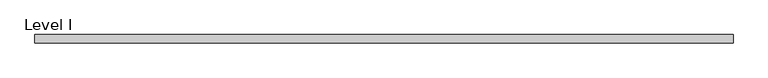
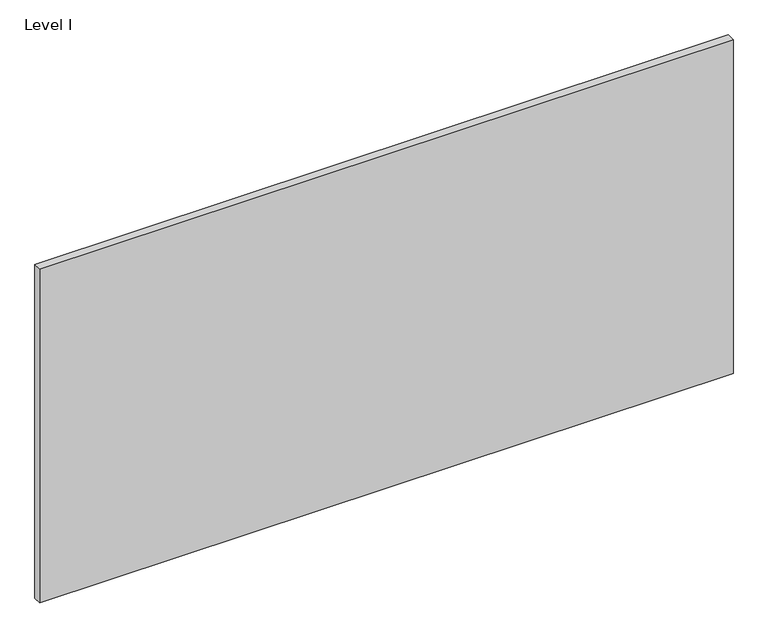
"""IFC4 building model written with IfcOpenShell, lengths in millimetres: proxy geometry, Level I."""

from ifc_helpers import new_model, si_unit, frame, origin, place, context, project, spatial, polyline, outline, extrude, source, transform, mapped, element, save


def level_i_4d32b42f(model_context):
    return source(origin(), model_context, "Body", "SweptSolid", [
        extrude(outline(polyline([(795.6407125, 9.525), (795.6407125, -9.525), (-795.6407125, -9.525), (-795.6407125, 9.525), (795.6407125, 9.525)])), frame((0.0, 0.0, 3.175), z_axis=(0.0, 0.0, 1.0), x_axis=(1.0, 0.0, 0.0)), (0.0, 0.0, 1.0), 810.768),
    ])


if __name__ == "__main__":
    model = new_model("IFC4")
    model_context = context("Model", 3, world=origin())
    ifc_project = project(units=[si_unit("LENGTHUNIT", "METRE", prefix="MILLI")], contexts=[model_context])
    site = spatial("IfcSite", under=ifc_project)
    building = spatial("IfcBuilding", under=site)
    placement = place(None, origin())
    level_i_shape = level_i_4d32b42f(model_context)
    element("IfcBuildingElementProxy", 1, Name="Level I", ObjectType="Level I", at=placement, inside=building, context=model_context, shape_type="MappedRepresentation", body=[
        mapped(level_i_shape, transform((0.0, 0.0, 0.0), x_axis=(1.0, 0.0, 0.0), y_axis=(0.0, 1.0, 0.0), z_axis=(0.0, 0.0, 1.0))),
    ])
    save(model, "model.ifc")
